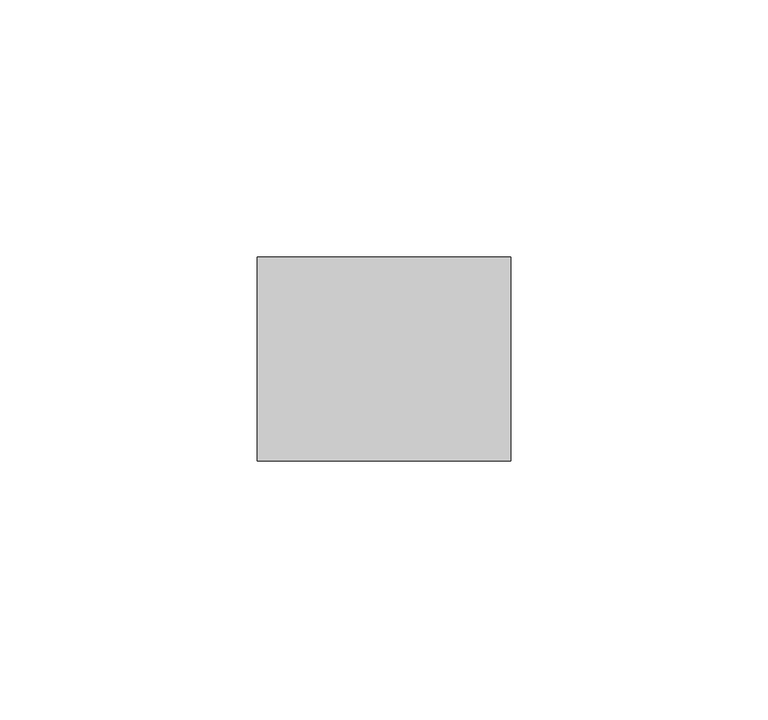
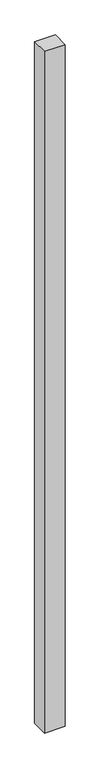
"""IFC4 building model written with IfcOpenShell, lengths in millimetres: plate geometry."""

from ifc_helpers import new_model, si_unit, origin, origin_with_axes, place, context, project, spatial, polyline, outline, extrude, source, transform, mapped, element, save


def plate_385e431c(model_context):
    return source(origin(), model_context, "Body", "SweptSolid", [
        extrude(outline(polyline([(24.6340206, -19.84375), (-24.6340206, -19.84375), (-24.6340206, 19.84375), (24.6340206, 19.84375), (24.6340206, -19.84375)])), origin_with_axes(), (0.0, 0.0, 1.0), 1708.8912252),
    ])


if __name__ == "__main__":
    model = new_model("IFC4")
    model_context = context("Model", 3, world=origin())
    ifc_project = project(units=[si_unit("LENGTHUNIT", "METRE", prefix="MILLI")], contexts=[model_context])
    site = spatial("IfcSite", under=ifc_project)
    building = spatial("IfcBuilding", under=site)
    placement = place(None, origin())
    plate_shape = plate_385e431c(model_context)
    element("IfcPlate", 1, at=placement, inside=building, context=model_context, shape_type="MappedRepresentation", body=[
        mapped(plate_shape, transform((0.0, 0.0, 0.0), x_axis=(1.0, 0.0, 0.0), y_axis=(0.0, 1.0, 0.0), z_axis=(0.0, 0.0, 1.0))),
    ])
    save(model, "model.ifc")
